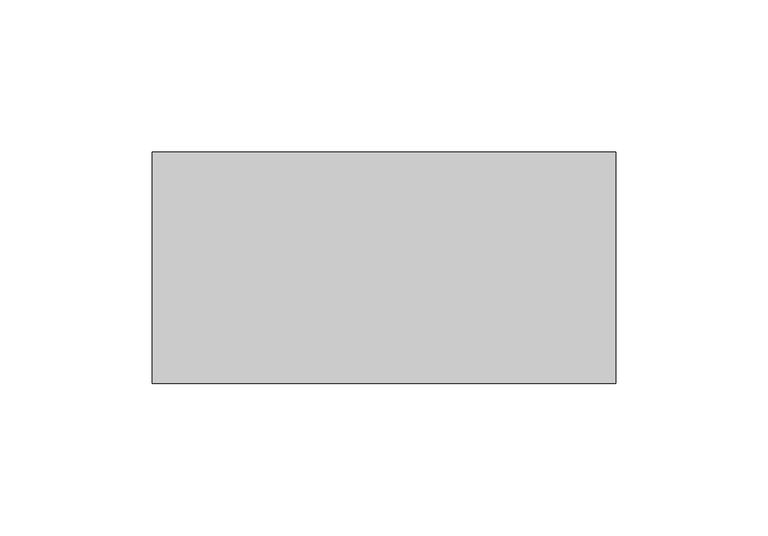
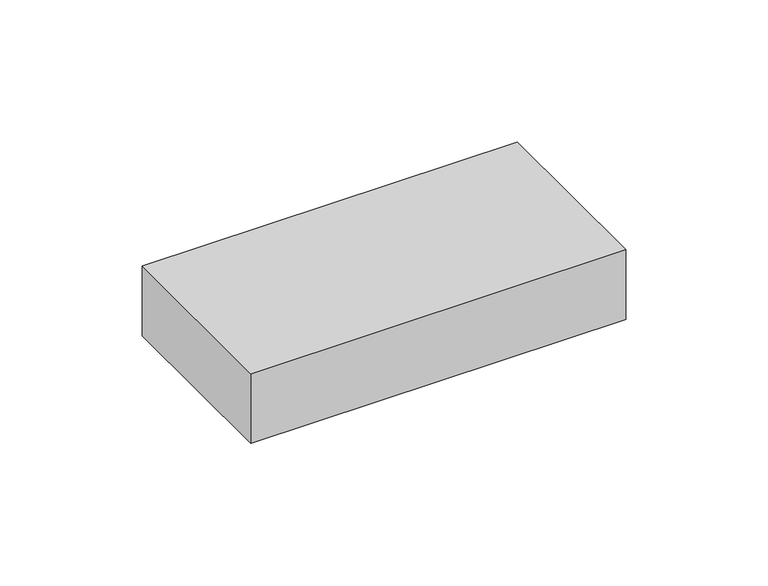
"""IFC4 building model written with IfcOpenShell, lengths in millimetres: furniture geometry."""

from ifc_helpers import new_model, si_unit, frame, origin, place, context, project, spatial, polyline, outline, extrude, source, transform, mapped, element, save


def furniture_16dbdc70(model_context):
    return source(origin(), model_context, "Body", "SweptSolid", [
        extrude(outline(polyline([(152.4, 76.2), (152.4, 0.0), (0.0, 0.0), (0.0, 76.2), (152.4, 76.2)])), frame((0.0, 0.0, 732.028), z_axis=(0.0, 0.0, 1.0), x_axis=(1.0, 0.0, 0.0)), (0.0, 0.0, 1.0), 29.972),
    ])


if __name__ == "__main__":
    model = new_model("IFC4")
    model_context = context("Model", 3, world=origin())
    ifc_project = project(units=[si_unit("LENGTHUNIT", "METRE", prefix="MILLI")], contexts=[model_context])
    site = spatial("IfcSite", under=ifc_project)
    building = spatial("IfcBuilding", under=site)
    placement = place(None, origin())
    furniture_shape = furniture_16dbdc70(model_context)
    element("IfcFurniture", 1, at=placement, inside=building, context=model_context, shape_type="MappedRepresentation", body=[
        mapped(furniture_shape, transform((0.0, 0.0, 0.0), x_axis=(1.0, 0.0, 0.0), y_axis=(0.0, 1.0, 0.0), z_axis=(0.0, 0.0, 1.0))),
    ])
    save(model, "model.ifc")
